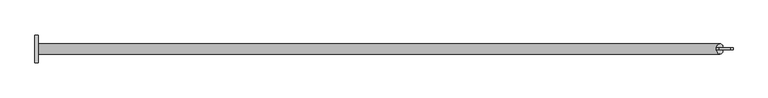
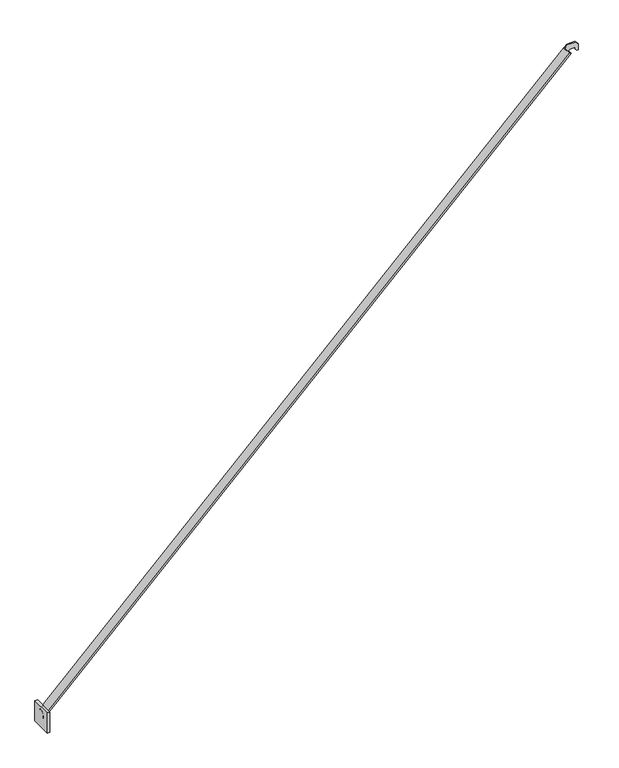
"""IFC4 building model written with IfcOpenShell, lengths in millimetres: proxy geometry."""

from ifc_helpers import new_model, si_unit, frame, origin, place, context, project, spatial, polyline, circle_curve, ellipse_curve, outline, extrude, source, transform, mapped, element, save
from ifc_brep_helpers import plane_surface, cylinder_surface, advanced_brep


def generic_models_d351cf9b(model_context):
    return source(origin(), model_context, "Body", "SolidModel", [
        extrude(outline(polyline([(-1820.0, -36.5), (-1829.0, -36.5), (-1829.0, 36.5), (-1820.0, 36.5), (-1820.0, -36.5)])), frame((0.0, 0.0, -19.0), z_axis=(0.0, 0.0, 1.0), x_axis=(1.0, 0.0, 0.0)), (0.0, 0.0, 1.0), 73.0),
        advanced_brep(
        [(-1829.0, 12.6521916, 19.0403047), (-1829.0, -12.9738402, 19.0403047), (-25.9605004, 13.4391757, 1799.8882414), (-25.9605004, -13.7608243, 1799.8882414), (-1829.0, -13.7608243, 25.4371243), (-1829.0, 13.4391757, 25.4371243)],
        [
            (0, 1, circle_curve(frame((-1832.1980014, -0.1608243, 22.2898294), z_axis=(-0.7127346440514135, 0.0, -0.7014337653470248), x_axis=(0.0, -1.0, 0.0)), 13.6)),
            (1, 0),
            (2, 3, circle_curve(frame((-25.9605004, -0.1608243, 1799.8882414), z_axis=(0.7127346440514135, 0.0, 0.7014337653470248), x_axis=(0.0, -1.0, 0.0)), 13.6)),
            (3, 2, circle_curve(frame((-25.9605004, -0.1608243, 1799.8882414), z_axis=(0.7127346440514135, 0.0, 0.7014337653470248), x_axis=(0.0, -1.0, 0.0)), 13.6)),
            (3, 4),
            (4, 1, ellipse_curve(frame((-1829.0, -0.1608243, 25.4371243), z_axis=(1.0, 0.0, 0.0), x_axis=(0.0, 0.0, -1.0)), 19.0814353, 13.6)),
            (0, 5, ellipse_curve(frame((-1829.0, -0.1608243, 25.4371243), z_axis=(1.0, 0.0, 0.0), x_axis=(0.0, 0.0, -1.0)), 19.0814353, 13.6)),
            (5, 2),
            (5, 4, ellipse_curve(frame((-1829.0, -0.1608243, 25.4371243), z_axis=(1.0, 0.0, 0.0), x_axis=(0.0, 0.0, -1.0)), 19.0814353, 13.6)),
        ],
        [
            plane_surface(frame((-1832.1980014, -13.7608243, 22.2898294), z_axis=(-0.7127346440514135, 0.0, -0.7014337653470247), x_axis=(-0.7014337653470247, 0.0, 0.7127346440514135))),
            plane_surface(frame((-25.9605004, -13.7608243, 1799.8882414), z_axis=(0.7127346440514135, 0.0, 0.7014337653470247), x_axis=(0.7014337653470247, 0.0, -0.7127346440514135))),
            cylinder_surface(frame((-25.9605004, -0.1608243, 1799.8882414), z_axis=(-0.7127346440514135, 0.0, -0.7014337653470248), x_axis=(0.0, -1.0, 0.0)), 13.6),
            plane_surface(frame((-1829.0, 36.5, 54.0), z_axis=(-1.0, 0.0, 0.0), x_axis=(0.0, 0.0, 1.0))),
        ],
        [
            (0, [[1, 2]]),
            (1, [[3, 4]]),
            (2, [[-4, 5, 6, -1, 7, 8]]),
            (2, [[-3, -8, 9, -5]]),
            (3, [[-2, -6, -9, -7]]),
        ],
    ),
        extrude(outline(polyline([(1814.0, -35.5), (1781.5344056, -35.5), (1781.5344056, -29.5), (1781.5344056, -26.0), (1797.5, -26.0), (1804.0, -19.5), (1804.0, 0.0), (1797.000002, 0.0), (1792.500002, 4.5), (1792.500002, 9.0), (1814.0, 9.0), (1822.0, 1.0), (1822.0, -27.5), (1814.0, -35.5)])), frame((0.0, -2.575662, 0.0), z_axis=(0.0, 1.0, 0.0), x_axis=(0.0, 0.0, 1.0)), (0.0, 0.0, 1.0), 5.0),
    ])


if __name__ == "__main__":
    model = new_model("IFC4")
    model_context = context("Model", 3, world=origin())
    ifc_project = project(units=[si_unit("LENGTHUNIT", "METRE", prefix="MILLI")], contexts=[model_context])
    site = spatial("IfcSite", under=ifc_project)
    building = spatial("IfcBuilding", under=site)
    placement = place(None, origin())
    generic_models_shape = generic_models_d351cf9b(model_context)
    element("IfcBuildingElementProxy", 1, Name="Generic Models", at=placement, inside=building, context=model_context, shape_type="MappedRepresentation", body=[
        mapped(generic_models_shape, transform((0.0, 0.0, 0.0), x_axis=(1.0, 0.0, 0.0), y_axis=(0.0, 1.0, 0.0), z_axis=(0.0, 0.0, 1.0))),
    ])
    save(model, "model.ifc")
